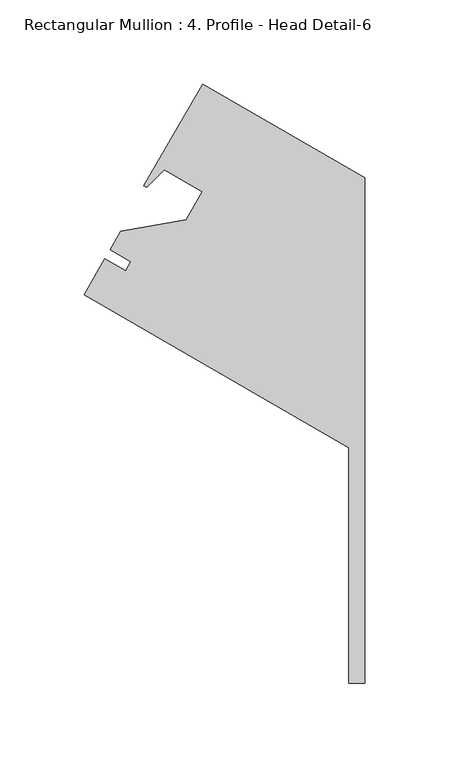
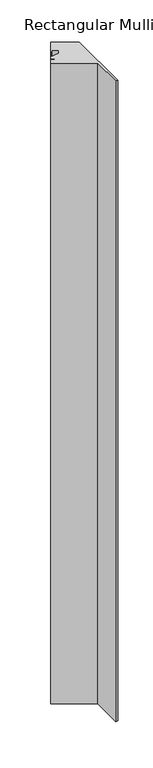
"""IFC4 building model written with IfcOpenShell, lengths in millimetres: member geometry, Rectangular Mullion : 4. Profile - Head Detail-6."""

from ifc_helpers import new_model, si_unit, frame, origin, place, context, project, spatial, polyline, outline, extrude, source, transform, mapped, element, save


def rectangular_mullion_4_profile_head_detail_6_24b7b5b2(model_context):
    return source(origin(), model_context, "Body", "SweptSolid", [
        extrude(outline(polyline([(-166.9663314, 6.275854), (-154.6822691, 27.5524741), (-142.3089312, 20.4087241), (-139.1148558, 25.9410249), (-151.4881937, 33.0847749), (-145.138181, 44.0833196), (-106.357647, 50.921374), (-96.7887449, 67.4951985), (-119.3390803, 80.5146407), (-129.7982562, 70.0554648), (-131.4317464, 70.9985608), (-96.5067464, 131.4904353), (0.0, 75.7722393), (0.0, -224.654279), (-9.525, -224.654279), (-9.525, -84.6229411), (-166.9663314, 6.275854)])), frame((0.0, 0.0, -3048.0), z_axis=(0.0, 0.0, 1.0), x_axis=(1.0, 0.0, 0.0)), (0.0, 0.0, 1.0), 3048.0),
    ])


if __name__ == "__main__":
    model = new_model("IFC4")
    model_context = context("Model", 3, world=origin())
    ifc_project = project(units=[si_unit("LENGTHUNIT", "METRE", prefix="MILLI")], contexts=[model_context])
    site = spatial("IfcSite", under=ifc_project)
    building = spatial("IfcBuilding", under=site)
    placement = place(None, origin())
    rectangular_mullion_4_profile_head_detail_6_shape = rectangular_mullion_4_profile_head_detail_6_24b7b5b2(model_context)
    element("IfcMember", 1, ObjectType="Rectangular Mullion : 4. Profile - Head Detail-6", at=placement, inside=building, context=model_context, shape_type="MappedRepresentation", body=[
        mapped(rectangular_mullion_4_profile_head_detail_6_shape, transform((0.0, 0.0, 0.0), x_axis=(1.0, 0.0, 0.0), y_axis=(0.0, 1.0, 0.0), z_axis=(0.0, 0.0, 1.0))),
    ])
    save(model, "model.ifc")
